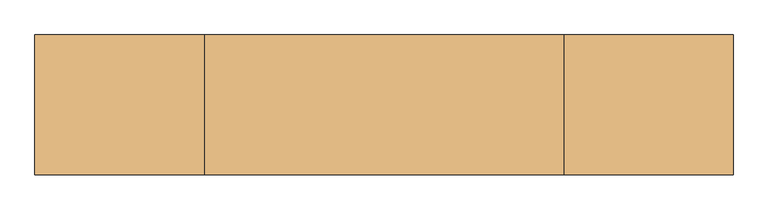
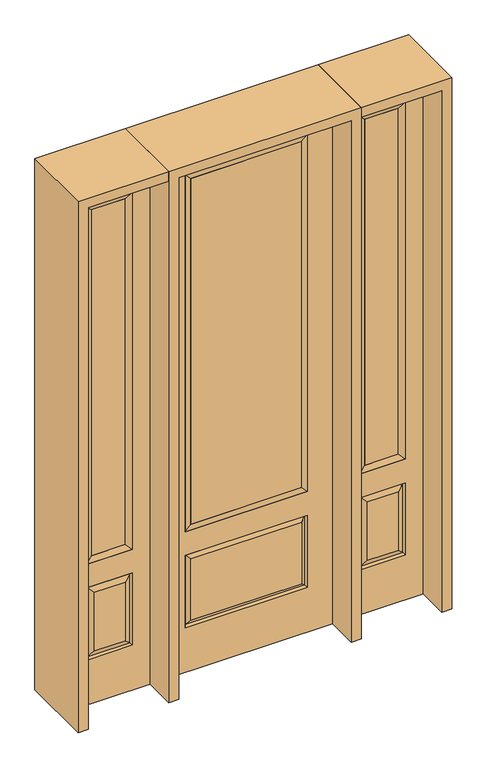
"""IFC4 building model written with IfcOpenShell, lengths in millimetres: door geometry."""

from ifc_helpers import new_model, si_unit, frame, origin, place, context, project, spatial, polyline, outline, extrude, faceted_brep, source, transform, mapped, element, save


def door_7706a8a6(model_context):
    return source(origin(), model_context, "Body", "SolidModel", [
        faceted_brep([(425.45, -22.225, 0.0), (781.05, -22.225, 0.0), (781.05, -22.225, 2438.4), (425.45, -22.225, 2438.4), (703.58, -22.225, 2325.624), (703.58, -22.225, 657.098), (502.92, -22.225, 657.098), (502.92, -22.225, 2325.624), (703.58, -22.225, 209.55), (502.92, -22.225, 209.55), (502.92, -22.225, 546.1), (703.58, -22.225, 546.1), (534.6351001, -22.225, 241.2651001), (671.8648999, -22.225, 241.2651001), (671.8648999, -22.225, 514.3848999), (534.6351001, -22.225, 514.3848999), (425.45, 22.225, 0.0), (425.45, 22.225, 2438.4), (781.05, 22.225, 2438.4), (781.05, 22.225, 0.0), (703.58, 22.225, 2325.624), (502.92, 22.225, 2325.624), (502.92, 22.225, 657.098), (703.58, 22.225, 657.098), (502.92, 22.225, 209.55), (703.58, 22.225, 209.55), (703.58, 22.225, 546.1), (502.92, 22.225, 546.1), (671.8648999, 22.225, 241.2651001), (534.6351001, 22.225, 241.2651001), (534.6351001, 22.225, 514.3848999), (671.8648999, 22.225, 514.3848999), (696.4711499, 12.7912373, 216.6588501), (510.0288501, 12.7912373, 216.6588501), (510.0288501, 12.7912373, 538.9911499), (696.4711499, 12.7912373, 538.9911499), (510.0288501, -12.7912373, 216.6588501), (696.4711499, -12.7912373, 216.6588501), (510.0288501, -12.7912373, 538.9911499), (696.4711499, -12.7912373, 538.9911499)], [[[0, 1, 2, 3], [4, 5, 6, 7], [8, 9, 10, 11]], [[12, 13, 14, 15]], [[16, 17, 18, 19], [20, 21, 22, 23], [24, 25, 26, 27]], [[28, 29, 30, 31]], [[1, 0, 16, 19]], [[2, 1, 19, 18]], [[3, 2, 18, 17]], [[0, 3, 17, 16]], [[5, 4, 20, 23]], [[6, 5, 23, 22]], [[7, 6, 22, 21]], [[4, 7, 21, 20]], [[32, 33, 29, 28]], [[33, 32, 25, 24]], [[29, 33, 34, 30]], [[33, 24, 27, 34]], [[30, 34, 35, 31]], [[34, 27, 26, 35]], [[32, 28, 31, 35]], [[25, 32, 35, 26]], [[12, 36, 37, 13]], [[37, 36, 9, 8]], [[36, 12, 15, 38]], [[9, 36, 38, 10]], [[38, 15, 14, 39]], [[10, 38, 39, 11]], [[13, 37, 39, 14]], [[37, 8, 11, 39]]]),
        faceted_brep([(502.92, 22.225, 2325.624), (502.92, -22.225, 2325.624), (703.58, -22.225, 2325.624), (703.58, 22.225, 2325.624), (528.32, 12.7, 2300.224), (678.18, 12.7, 2300.224), (528.32, -12.7, 2300.224), (678.18, -12.7, 2300.224), (703.58, -22.225, 657.098), (703.58, 22.225, 657.098), (678.18, 12.7, 682.498), (678.18, -12.7, 682.498), (502.92, -22.225, 657.098), (502.92, 22.225, 657.098), (528.32, 12.7, 682.498), (528.32, -12.7, 682.498)], [[[0, 1, 2, 3]], [[4, 0, 3, 5]], [[6, 4, 5, 7]], [[1, 6, 7, 2]], [[3, 2, 8, 9]], [[5, 3, 9, 10]], [[7, 5, 10, 11]], [[2, 7, 11, 8]], [[9, 8, 12, 13]], [[10, 9, 13, 14]], [[11, 10, 14, 15]], [[8, 11, 15, 12]], [[13, 12, 1, 0]], [[14, 13, 0, 4]], [[15, 14, 4, 6]], [[12, 15, 6, 1]]]),
        extrude(outline(polyline([(678.18, -12.7), (528.32, -12.7), (528.32, 12.7), (678.18, 12.7), (678.18, -12.7)])), frame((0.0, 0.0, 682.498), z_axis=(0.0, 0.0, 1.0), x_axis=(1.0, 0.0, 0.0)), (0.0, 0.0, 1.0), 1617.726),
        faceted_brep([(-781.05, -22.225, 0.0), (-425.45, -22.225, 0.0), (-425.45, -22.225, 2438.4), (-781.05, -22.225, 2438.4), (-502.92, -22.225, 2325.624), (-502.92, -22.225, 657.098), (-703.58, -22.225, 657.098), (-703.58, -22.225, 2325.624), (-502.92, -22.225, 209.55), (-703.58, -22.225, 209.55), (-703.58, -22.225, 546.1), (-502.92, -22.225, 546.1), (-671.8648999, -22.225, 241.2651001), (-534.6351001, -22.225, 241.2651001), (-534.6351001, -22.225, 514.3848999), (-671.8648999, -22.225, 514.3848999), (-781.05, 22.225, 0.0), (-781.05, 22.225, 2438.4), (-425.45, 22.225, 2438.4), (-425.45, 22.225, 0.0), (-502.92, 22.225, 2325.624), (-703.58, 22.225, 2325.624), (-703.58, 22.225, 657.098), (-502.92, 22.225, 657.098), (-703.58, 22.225, 209.55), (-502.92, 22.225, 209.55), (-502.92, 22.225, 546.1), (-703.58, 22.225, 546.1), (-534.6351001, 22.225, 241.2651001), (-671.8648999, 22.225, 241.2651001), (-671.8648999, 22.225, 514.3848999), (-534.6351001, 22.225, 514.3848999), (-510.0288501, 12.7912373, 216.6588501), (-696.4711499, 12.7912373, 216.6588501), (-696.4711499, 12.7912373, 538.9911499), (-510.0288501, 12.7912373, 538.9911499), (-696.4711499, -12.7912373, 216.6588501), (-510.0288501, -12.7912373, 216.6588501), (-696.4711499, -12.7912373, 538.9911499), (-510.0288501, -12.7912373, 538.9911499)], [[[0, 1, 2, 3], [4, 5, 6, 7], [8, 9, 10, 11]], [[12, 13, 14, 15]], [[16, 17, 18, 19], [20, 21, 22, 23], [24, 25, 26, 27]], [[28, 29, 30, 31]], [[1, 0, 16, 19]], [[2, 1, 19, 18]], [[3, 2, 18, 17]], [[0, 3, 17, 16]], [[5, 4, 20, 23]], [[6, 5, 23, 22]], [[7, 6, 22, 21]], [[4, 7, 21, 20]], [[32, 33, 29, 28]], [[33, 32, 25, 24]], [[29, 33, 34, 30]], [[33, 24, 27, 34]], [[30, 34, 35, 31]], [[34, 27, 26, 35]], [[32, 28, 31, 35]], [[25, 32, 35, 26]], [[12, 36, 37, 13]], [[37, 36, 9, 8]], [[36, 12, 15, 38]], [[9, 36, 38, 10]], [[38, 15, 14, 39]], [[10, 38, 39, 11]], [[13, 37, 39, 14]], [[37, 8, 11, 39]]]),
        faceted_brep([(-703.58, 22.225, 2325.624), (-703.58, -22.225, 2325.624), (-502.92, -22.225, 2325.624), (-502.92, 22.225, 2325.624), (-678.18, 12.7, 2300.224), (-528.32, 12.7, 2300.224), (-678.18, -12.7, 2300.224), (-528.32, -12.7, 2300.224), (-502.92, -22.225, 657.098), (-502.92, 22.225, 657.098), (-528.32, 12.7, 682.498), (-528.32, -12.7, 682.498), (-703.58, -22.225, 657.098), (-703.58, 22.225, 657.098), (-678.18, 12.7, 682.498), (-678.18, -12.7, 682.498)], [[[0, 1, 2, 3]], [[4, 0, 3, 5]], [[6, 4, 5, 7]], [[1, 6, 7, 2]], [[3, 2, 8, 9]], [[5, 3, 9, 10]], [[7, 5, 10, 11]], [[2, 7, 11, 8]], [[9, 8, 12, 13]], [[10, 9, 13, 14]], [[11, 10, 14, 15]], [[8, 11, 15, 12]], [[13, 12, 1, 0]], [[14, 13, 0, 4]], [[15, 14, 4, 6]], [[12, 15, 6, 1]]]),
        extrude(outline(polyline([(-528.32, -12.7), (-678.18, -12.7), (-678.18, 12.7), (-528.32, 12.7), (-528.32, -12.7)])), frame((0.0, 0.0, 682.498), z_axis=(0.0, 0.0, 1.0), x_axis=(1.0, 0.0, 0.0)), (0.0, 0.0, 1.0), 1617.726),
        extrude(outline(polyline([(244.475, -20.32), (-244.475, -20.32), (-244.475, 5.08), (244.475, 5.08), (244.475, -20.32)])), frame((0.0, 0.0, 682.498), z_axis=(0.0, 0.0, 1.0), x_axis=(1.0, 0.0, 0.0)), (0.0, 0.0, 1.0), 1616.202),
        faceted_brep([(-262.7661499, -12.7912373, 216.6588501), (262.7661499, -12.7912373, 216.6588501), (245.26875, -22.225, 234.15625), (-245.26875, -22.225, 234.15625), (-269.875, -22.225, 209.55), (269.875, -22.225, 209.55), (-262.7661499, -12.7912373, 538.9911499), (-269.875, -22.225, 546.1), (245.26875, -22.225, 521.49375), (-245.26875, -22.225, 521.49375), (381.0, -22.225, 2438.4), (-381.0, -22.225, 2438.4), (-381.0, -22.225, 0.0), (381.0, -22.225, 0.0), (269.875, -22.225, 546.1), (269.875, -22.225, 2324.1), (269.875, -22.225, 657.098), (-269.875, -22.225, 657.098), (-269.875, -22.225, 2324.1), (262.7661499, -12.7912373, 538.9911499), (-381.0, 22.225, 2438.4), (-381.0, 22.225, 0.0), (381.0, 22.225, 0.0), (381.0, 22.225, 2438.4), (269.875, 22.225, 2324.1), (269.875, 22.225, 657.098), (-269.875, 22.225, 657.098), (-269.875, 22.225, 2324.1), (-269.875, 22.225, 209.55), (269.875, 22.225, 209.55), (269.875, 22.225, 546.1), (-269.875, 22.225, 546.1), (245.26875, 22.225, 234.15625), (-245.26875, 22.225, 234.15625), (-245.26875, 22.225, 521.49375), (245.26875, 22.225, 521.49375), (-262.7661499, 12.7912373, 216.6588501), (262.7661499, 12.7912373, 216.6588501), (262.7661499, 12.7912373, 538.9911499), (-262.7661499, 12.7912373, 538.9911499)], [[[0, 1, 2, 3]], [[1, 0, 4, 5]], [[4, 0, 6, 7]], [[3, 2, 8, 9]], [[10, 11, 12, 13], [5, 4, 7, 14], [15, 16, 17, 18]], [[1, 5, 14, 19]], [[2, 1, 19, 8]], [[0, 3, 9, 6]], [[7, 6, 19, 14]], [[6, 9, 8, 19]], [[12, 11, 20, 21]], [[13, 12, 21, 22]], [[10, 13, 22, 23]], [[16, 15, 24, 25]], [[17, 16, 25, 26]], [[18, 17, 26, 27]], [[23, 22, 21, 20], [28, 29, 30, 31], [24, 27, 26, 25]], [[32, 33, 34, 35]], [[28, 36, 37, 29]], [[29, 37, 38, 30]], [[39, 31, 30, 38]], [[36, 28, 31, 39]], [[37, 36, 33, 32]], [[33, 36, 39, 34]], [[34, 39, 38, 35]], [[37, 32, 35, 38]], [[11, 10, 23, 20]], [[15, 18, 27, 24]]]),
        faceted_brep([(-269.875, -22.225, 2324.1), (-269.875, 22.225, 2324.1), (-269.875, 22.225, 657.098), (-269.875, -22.225, 657.098), (269.875, 22.225, 657.098), (269.875, -22.225, 657.098), (-244.475, 5.08, 682.498), (244.475, 5.08, 682.498), (269.875, 22.225, 2324.1), (269.875, -22.225, 2324.1), (-244.475, -20.32, 682.498), (244.475, -20.32, 682.498), (-244.475, -20.32, 2298.7), (244.475, -20.32, 2298.7), (-244.475, 5.08, 2298.7), (244.475, 5.08, 2298.7)], [[[0, 1, 2, 3]], [[3, 2, 4, 5]], [[2, 6, 7, 4]], [[5, 4, 8, 9]], [[10, 3, 5, 11]], [[12, 0, 3, 10]], [[11, 5, 9, 13]], [[6, 10, 11, 7]], [[14, 12, 10, 6]], [[7, 11, 13, 15]], [[1, 14, 6, 2]], [[4, 7, 15, 8]], [[9, 8, 1, 0]], [[13, 9, 0, 12]], [[15, 13, 12, 14]], [[8, 15, 14, 1]]]),
        extrude(outline(polyline([(2438.4, -425.45), (2482.85, -425.45), (2482.85, -825.5), (0.0, -825.5), (0.0, -781.05), (2438.4, -781.05), (2438.4, -425.45)])), frame((0.0, -165.1, 0.0), z_axis=(0.0, 1.0, 0.0), x_axis=(0.0, 0.0, 1.0)), (0.0, 0.0, 1.0), 330.2),
        extrude(outline(polyline([(2482.85, -425.45), (0.0, -425.45), (0.0, -381.0), (2438.4, -381.0), (2438.4, 381.0), (0.0, 381.0), (0.0, 425.45), (2482.85, 425.45), (2482.85, -425.45)])), frame((0.0, -165.1, 0.0), z_axis=(0.0, 1.0, 0.0), x_axis=(0.0, 0.0, 1.0)), (0.0, 0.0, 1.0), 330.2),
        extrude(outline(polyline([(0.0, 781.05), (0.0, 825.5), (2482.85, 825.5), (2482.85, 425.45), (2438.4, 425.45), (2438.4, 781.05), (0.0, 781.05)])), frame((0.0, -165.1, 0.0), z_axis=(0.0, 1.0, 0.0), x_axis=(0.0, 0.0, 1.0)), (0.0, 0.0, 1.0), 330.2),
    ])


if __name__ == "__main__":
    model = new_model("IFC4")
    model_context = context("Model", 3, world=origin())
    ifc_project = project(units=[si_unit("LENGTHUNIT", "METRE", prefix="MILLI")], contexts=[model_context])
    site = spatial("IfcSite", under=ifc_project)
    building = spatial("IfcBuilding", under=site)
    placement = place(None, origin())
    door_shape = door_7706a8a6(model_context)
    element("IfcDoor", 1, at=placement, inside=building, context=model_context, shape_type="MappedRepresentation", body=[
        mapped(door_shape, transform((0.0, 0.0, 0.0), x_axis=(1.0, 0.0, 0.0), y_axis=(0.0, 1.0, 0.0), z_axis=(0.0, 0.0, 1.0))),
    ])
    save(model, "model.ifc")
